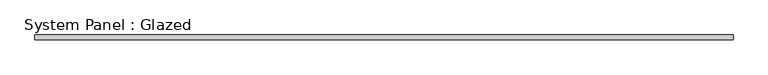
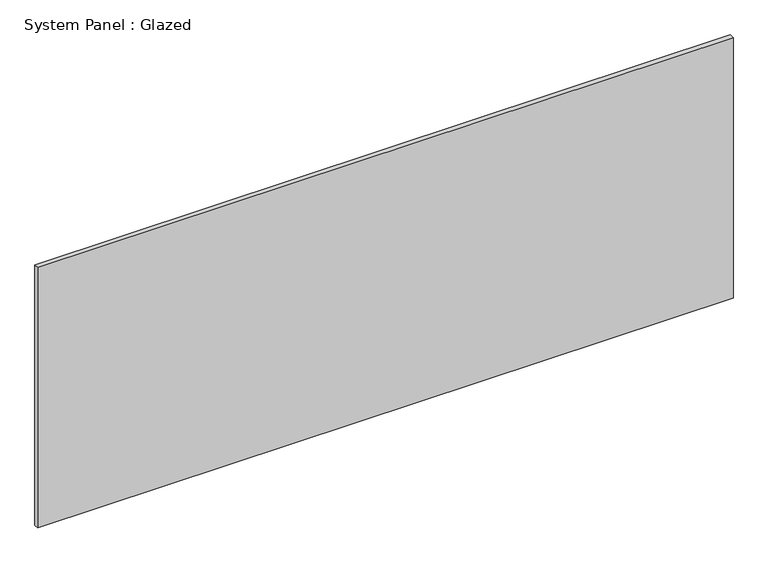
"""IFC4 building model written with IfcOpenShell, lengths in millimetres: plate geometry, System Panel : Glazed."""

from ifc_helpers import new_model, si_unit, origin, origin_with_axes, place, context, project, spatial, polyline, outline, extrude, source, transform, mapped, element, save


def system_panel_glazed_ac6042ca(model_context):
    return source(origin(), model_context, "Body", "SweptSolid", [
        extrude(outline(polyline([(1845.0038172, 19.05), (-1845.0038172, 19.05), (-1845.0038172, 44.45), (1845.0038172, 44.45), (1845.0038172, 19.05)])), origin_with_axes(), (0.0, 0.0, 1.0), 1460.5),
    ])


if __name__ == "__main__":
    model = new_model("IFC4")
    model_context = context("Model", 3, world=origin())
    ifc_project = project(units=[si_unit("LENGTHUNIT", "METRE", prefix="MILLI")], contexts=[model_context])
    site = spatial("IfcSite", under=ifc_project)
    building = spatial("IfcBuilding", under=site)
    placement = place(None, origin())
    system_panel_glazed_shape = system_panel_glazed_ac6042ca(model_context)
    element("IfcPlate", 1, ObjectType="System Panel : Glazed", at=placement, inside=building, context=model_context, shape_type="MappedRepresentation", body=[
        mapped(system_panel_glazed_shape, transform((0.0, 0.0, 0.0), x_axis=(1.0, 0.0, 0.0), y_axis=(0.0, 1.0, 0.0), z_axis=(0.0, 0.0, 1.0))),
    ])
    save(model, "model.ifc")
